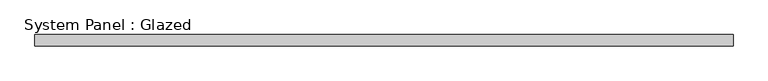
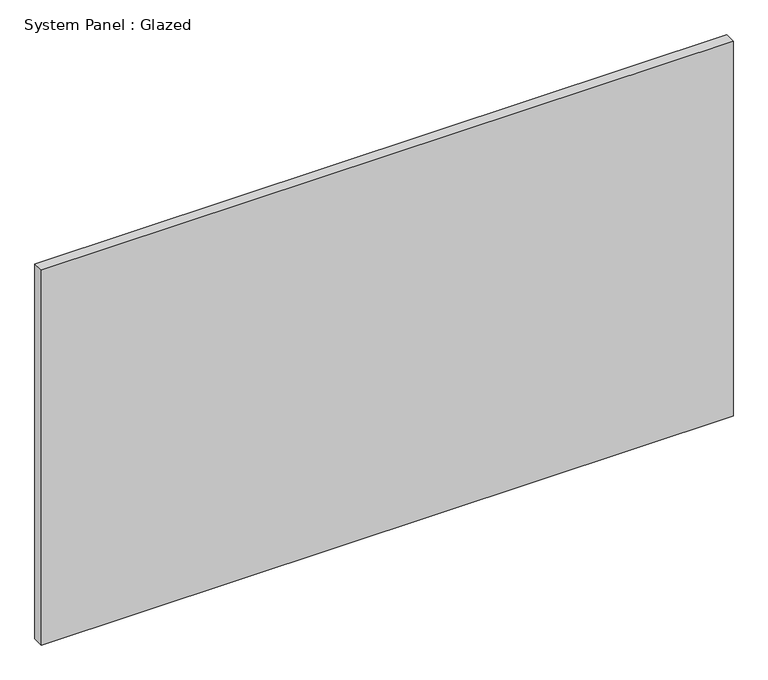
"""IFC4 building model written with IfcOpenShell, lengths in millimetres: plate geometry, System Panel : Glazed."""

import ifcopenshell
import ifcopenshell.guid

model = None  # the IFC model being written
_history = None  # IfcOwnerHistory: only IFC2X3 demands one
_inside = {}  # id of a spatial element -> (the spatial element, [elements in it])
_under = {}  # id of a project, library or spatial element -> (it, [spatial elements below it])
_declared = {}  # id of a project -> (the project, [libraries it declares])
_typed = {}  # id of a type object -> (the type object, [elements of that type])
_made_of = {}  # id of a material, layer set ... -> (it, [elements and type objects made of it])


def new_model(schema):
    """Start an empty IFC model of exactly this schema.

    Asked for "IFC4X3", IfcOpenShell would pick the latest addendum, in which some entities
    have other attributes; the version numbers below select the first issue.
    IFC2X3 requires an IfcOwnerHistory on every rooted entity: one is made here for all.
    """
    global model, _history
    if schema == "IFC4X3":
        model = ifcopenshell.file(schema_version=(4, 3, 0, 0))
    else:
        model = ifcopenshell.file(schema=schema)
    _inside.clear()
    _under.clear()
    _declared.clear()
    _typed.clear()
    _made_of.clear()
    _history = None
    if model.schema == "IFC2X3":
        org = make("IfcOrganization", Name="unknown")
        user = make(
            "IfcPersonAndOrganization",
            ThePerson=make("IfcPerson", FamilyName="unknown"),
            TheOrganization=org,
        )
        app = make(
            "IfcApplication",
            ApplicationDeveloper=org,
            Version="unknown",
            ApplicationFullName="unknown",
            ApplicationIdentifier="unknown",
        )
        _history = make(
            "IfcOwnerHistory",
            OwningUser=user,
            OwningApplication=app,
            ChangeAction="ADDED",
            CreationDate=0,
        )
    return model


def make(cls, **values):
    """One entity of the class cls with the attributes given. An attribute that is None is left unset."""
    return model.create_entity(
        cls, **{name: value for name, value in values.items() if value is not None}
    )


def rooted(cls, **values):
    """An entity with a GlobalId (a new one), such as an element, a storey or a relation."""
    return make(cls, GlobalId=ifcopenshell.guid.new(), OwnerHistory=_history, **values)


def si_unit(unit_type, name, prefix=None):
    """IfcSIUnit, for example si_unit("LENGTHUNIT", "METRE", prefix="MILLI")."""
    return make("IfcSIUnit", UnitType=unit_type, Prefix=prefix, Name=name)


def assignment(units):
    """IfcUnitAssignment: the units of a project."""
    return None if units is None else make("IfcUnitAssignment", Units=units)


def point(xyz):
    """IfcCartesianPoint."""
    return None if xyz is None else make("IfcCartesianPoint", Coordinates=xyz)


def direction(xyz):
    """IfcDirection."""
    return None if xyz is None else make("IfcDirection", DirectionRatios=xyz)


def frame(location, z_axis=None, x_axis=None):
    """IfcAxis2Placement3D, a coordinate frame: its origin and axes. An axis left out is left unset."""
    return make(
        "IfcAxis2Placement3D",
        Location=point(location),
        Axis=direction(z_axis),
        RefDirection=direction(x_axis),
    )


def origin():
    """The frame at (0, 0, 0) with its axes left unset."""
    return frame((0.0, 0.0, 0.0))


def origin_with_axes():
    """The frame at (0, 0, 0) with the z axis (0, 0, 1) and the x axis (1, 0, 0) written out."""
    return frame((0.0, 0.0, 0.0), z_axis=(0.0, 0.0, 1.0), x_axis=(1.0, 0.0, 0.0))


def place(relative_to, where):
    """IfcLocalPlacement: puts the frame where relative to a parent placement (None: the world)."""
    return make(
        "IfcLocalPlacement", PlacementRelTo=relative_to, RelativePlacement=where
    )


def context(
    kind, dimensions, precision=None, world=None, true_north=None, identifier=None
):
    """IfcGeometricRepresentationContext, for example the 3D "Model" context."""
    return make(
        "IfcGeometricRepresentationContext",
        ContextIdentifier=identifier,
        ContextType=kind,
        CoordinateSpaceDimension=dimensions,
        Precision=precision,
        WorldCoordinateSystem=world,
        TrueNorth=true_north,
    )


def project(units=None, contexts=None):
    """IfcProject with its units and contexts."""
    return rooted(
        "IfcProject",
        Name="project",
        RepresentationContexts=contexts,
        UnitsInContext=assignment(units),
    )


def spatial(cls, under=None, at=None, **own):
    """A site, building, storey or space (cls), placed at a placement, below another one or the project."""
    s = rooted(cls, ObjectPlacement=at, **own)
    if under is not None:
        _under.setdefault(under.id(), (under, []))[1].append(s)
    return s


def polyline(points):
    """IfcPolyline through the points."""
    return make("IfcPolyline", Points=[point(p) for p in points])


def outline(outer, holes=None, kind="AREA"):
    """IfcArbitraryClosedProfileDef: a profile drawn as a closed curve; with holes, ...WithVoids."""
    if holes is None:
        return make("IfcArbitraryClosedProfileDef", ProfileType=kind, OuterCurve=outer)
    return make(
        "IfcArbitraryProfileDefWithVoids",
        ProfileType=kind,
        OuterCurve=outer,
        InnerCurves=holes,
    )


def extrude(swept, where, along, depth):
    """IfcExtrudedAreaSolid: the profile swept, set in the frame where, extruded along a direction by depth."""
    return make(
        "IfcExtrudedAreaSolid",
        SweptArea=swept,
        Position=where,
        ExtrudedDirection=direction(along),
        Depth=depth,
    )


def shape(context_of_items, identifier, shape_type, items):
    """IfcShapeRepresentation: the items that make up one representation, for example the "Body"."""
    return make(
        "IfcShapeRepresentation",
        ContextOfItems=context_of_items,
        RepresentationIdentifier=identifier,
        RepresentationType=shape_type,
        Items=items,
    )


def source(mapping_origin, context_of_items, identifier, shape_type, items):
    """IfcRepresentationMap: a shape defined once, which mapped items show again and again."""
    return make(
        "IfcRepresentationMap",
        MappingOrigin=mapping_origin,
        MappedRepresentation=shape(context_of_items, identifier, shape_type, items),
    )


def transform(
    local_origin,
    x_axis=None,
    y_axis=None,
    z_axis=None,
    scale=None,
    scale2=None,
    scale3=None,
    uniform=True,
):
    """IfcCartesianTransformationOperator3D, or its non-uniform kind. x_axis, y_axis, z_axis: its Axis1, 2, 3."""
    if uniform:
        return make(
            "IfcCartesianTransformationOperator3D",
            Axis1=direction(x_axis),
            Axis2=direction(y_axis),
            LocalOrigin=point(local_origin),
            Scale=scale,
            Axis3=direction(z_axis),
        )
    return make(
        "IfcCartesianTransformationOperator3DnonUniform",
        Axis1=direction(x_axis),
        Axis2=direction(y_axis),
        LocalOrigin=point(local_origin),
        Scale=scale,
        Axis3=direction(z_axis),
        Scale2=scale2,
        Scale3=scale3,
    )


def mapped(mapping_source, mapping_target):
    """IfcMappedItem: shows the shape of a source again, moved by a transform."""
    return make(
        "IfcMappedItem", MappingSource=mapping_source, MappingTarget=mapping_target
    )


def made_of(thing, what):
    """Note that an element or type object is made of a material, layer set ...; save() writes the relation."""
    if what is not None:
        _made_of.setdefault(what.id(), (what, []))[1].append(thing)
    return thing


def element(
    cls,
    number,
    at=None,
    inside=None,
    cuts=None,
    type_object=None,
    material=None,
    context=None,
    identifier="Body",
    shape_type=None,
    held_by="IfcProductDefinitionShape",
    body=None,
    shapes=None,
    **own,
):
    """One element of the class cls, such as IfcWall. Its Tag is "e" and its number.

    at: its placement. inside: the storey or other place that contains it. cuts: it is an
    opening in that element (IfcRelVoidsElement). A single representation is given by context,
    identifier, shape_type and body (its items); several are given by shapes. held_by: the class
    of the entity that holds the representations. save() writes the other relations.
    """
    e = rooted(cls, Tag="e%d" % number, ObjectPlacement=at, **own)
    if body is not None:
        shapes = [shape(context, identifier, shape_type, body)]
    if shapes is not None:
        e.Representation = make(held_by, Representations=shapes)
    if inside is not None:
        _inside.setdefault(inside.id(), (inside, []))[1].append(e)
    if cuts is not None:
        rooted(
            "IfcRelVoidsElement", RelatingBuildingElement=cuts, RelatedOpeningElement=e
        )
    if type_object is not None:
        _typed.setdefault(type_object.id(), (type_object, []))[1].append(e)
    return made_of(e, material)


def aggregate(whole, parts):
    """IfcRelAggregates: a whole, such as a stair, and the parts it consists of."""
    return rooted("IfcRelAggregates", RelatingObject=whole, RelatedObjects=parts)


def save(model, path):
    """Write the relations noted so far, then the file.

    IfcRelAggregates (storeys below a building ...), IfcRelContainedInSpatialStructure (elements
    in a storey), IfcRelDefinesByType, IfcRelAssociatesMaterial and IfcRelDeclares: one each for
    every whole, place, type object, material and project.
    """
    for whole, parts in _under.values():
        aggregate(whole, parts)
    for where, things in _inside.values():
        rooted(
            "IfcRelContainedInSpatialStructure",
            RelatedElements=things,
            RelatingStructure=where,
        )
    for kind, things in _typed.values():
        rooted("IfcRelDefinesByType", RelatedObjects=things, RelatingType=kind)
    for what, things in _made_of.values():
        rooted("IfcRelAssociatesMaterial", RelatedObjects=things, RelatingMaterial=what)
    for by, libraries in _declared.values():
        rooted("IfcRelDeclares", RelatingContext=by, RelatedDefinitions=libraries)
    model.write(path)


def system_panel_glazed_e28c4ec8(model_context):
    return source(origin(), model_context, "Body", "SweptSolid", [
        extrude(outline(polyline([(797.3645429, 19.05), (-797.3645429, 19.05), (-797.3645429, 44.45), (797.3645429, 44.45), (797.3645429, 19.05)])), origin_with_axes(), (0.0, 0.0, 1.0), 914.4),
    ])


if __name__ == "__main__":
    model = new_model("IFC4")
    model_context = context("Model", 3, world=origin())
    ifc_project = project(units=[si_unit("LENGTHUNIT", "METRE", prefix="MILLI")], contexts=[model_context])
    site = spatial("IfcSite", under=ifc_project)
    building = spatial("IfcBuilding", under=site)
    placement = place(None, origin())
    system_panel_glazed_shape = system_panel_glazed_e28c4ec8(model_context)
    element("IfcPlate", 1, ObjectType="System Panel : Glazed", at=placement, inside=building, context=model_context, shape_type="MappedRepresentation", body=[
        mapped(system_panel_glazed_shape, transform((0.0, 0.0, 0.0), x_axis=(1.0, 0.0, 0.0), y_axis=(0.0, 1.0, 0.0), z_axis=(0.0, 0.0, 1.0))),
    ])
    save(model, "model.ifc")
